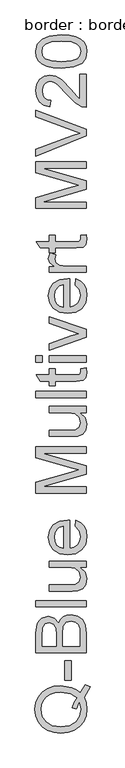
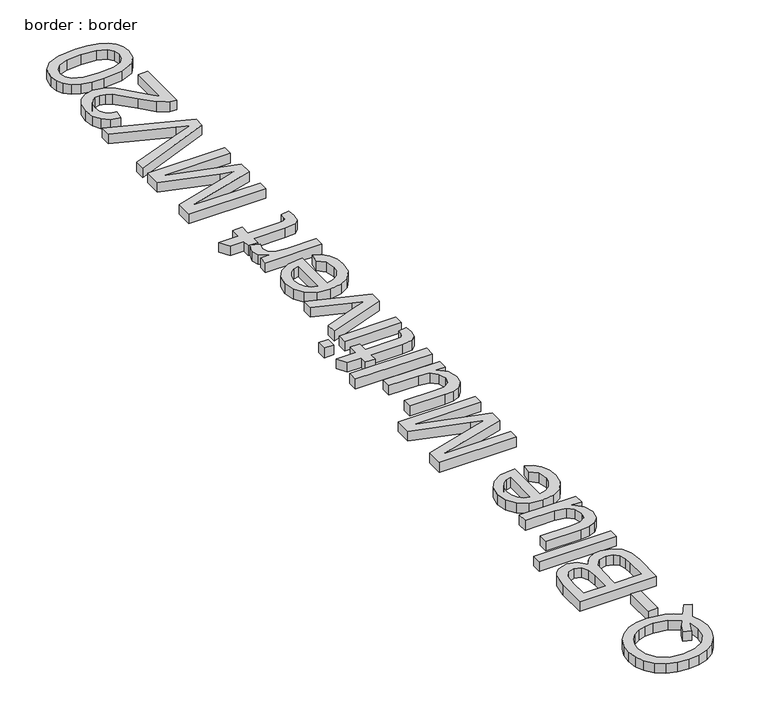
"""IFC4 building model written with IfcOpenShell, lengths in millimetres: proxy geometry, border : border."""

import ifcopenshell
import ifcopenshell.guid

model = None  # the IFC model being written
_history = None  # IfcOwnerHistory: only IFC2X3 demands one
_inside = {}  # id of a spatial element -> (the spatial element, [elements in it])
_under = {}  # id of a project, library or spatial element -> (it, [spatial elements below it])
_declared = {}  # id of a project -> (the project, [libraries it declares])
_typed = {}  # id of a type object -> (the type object, [elements of that type])
_made_of = {}  # id of a material, layer set ... -> (it, [elements and type objects made of it])


def new_model(schema):
    """Start an empty IFC model of exactly this schema.

    Asked for "IFC4X3", IfcOpenShell would pick the latest addendum, in which some entities
    have other attributes; the version numbers below select the first issue.
    IFC2X3 requires an IfcOwnerHistory on every rooted entity: one is made here for all.
    """
    global model, _history
    if schema == "IFC4X3":
        model = ifcopenshell.file(schema_version=(4, 3, 0, 0))
    else:
        model = ifcopenshell.file(schema=schema)
    _inside.clear()
    _under.clear()
    _declared.clear()
    _typed.clear()
    _made_of.clear()
    _history = None
    if model.schema == "IFC2X3":
        org = make("IfcOrganization", Name="unknown")
        user = make(
            "IfcPersonAndOrganization",
            ThePerson=make("IfcPerson", FamilyName="unknown"),
            TheOrganization=org,
        )
        app = make(
            "IfcApplication",
            ApplicationDeveloper=org,
            Version="unknown",
            ApplicationFullName="unknown",
            ApplicationIdentifier="unknown",
        )
        _history = make(
            "IfcOwnerHistory",
            OwningUser=user,
            OwningApplication=app,
            ChangeAction="ADDED",
            CreationDate=0,
        )
    return model


def make(cls, **values):
    """One entity of the class cls with the attributes given. An attribute that is None is left unset."""
    return model.create_entity(
        cls, **{name: value for name, value in values.items() if value is not None}
    )


def rooted(cls, **values):
    """An entity with a GlobalId (a new one), such as an element, a storey or a relation."""
    return make(cls, GlobalId=ifcopenshell.guid.new(), OwnerHistory=_history, **values)


def si_unit(unit_type, name, prefix=None):
    """IfcSIUnit, for example si_unit("LENGTHUNIT", "METRE", prefix="MILLI")."""
    return make("IfcSIUnit", UnitType=unit_type, Prefix=prefix, Name=name)


def assignment(units):
    """IfcUnitAssignment: the units of a project."""
    return None if units is None else make("IfcUnitAssignment", Units=units)


def point(xyz):
    """IfcCartesianPoint."""
    return None if xyz is None else make("IfcCartesianPoint", Coordinates=xyz)


def direction(xyz):
    """IfcDirection."""
    return None if xyz is None else make("IfcDirection", DirectionRatios=xyz)


def frame(location, z_axis=None, x_axis=None):
    """IfcAxis2Placement3D, a coordinate frame: its origin and axes. An axis left out is left unset."""
    return make(
        "IfcAxis2Placement3D",
        Location=point(location),
        Axis=direction(z_axis),
        RefDirection=direction(x_axis),
    )


def origin():
    """The frame at (0, 0, 0) with its axes left unset."""
    return frame((0.0, 0.0, 0.0))


def origin_with_axes():
    """The frame at (0, 0, 0) with the z axis (0, 0, 1) and the x axis (1, 0, 0) written out."""
    return frame((0.0, 0.0, 0.0), z_axis=(0.0, 0.0, 1.0), x_axis=(1.0, 0.0, 0.0))


def place(relative_to, where):
    """IfcLocalPlacement: puts the frame where relative to a parent placement (None: the world)."""
    return make(
        "IfcLocalPlacement", PlacementRelTo=relative_to, RelativePlacement=where
    )


def context(
    kind, dimensions, precision=None, world=None, true_north=None, identifier=None
):
    """IfcGeometricRepresentationContext, for example the 3D "Model" context."""
    return make(
        "IfcGeometricRepresentationContext",
        ContextIdentifier=identifier,
        ContextType=kind,
        CoordinateSpaceDimension=dimensions,
        Precision=precision,
        WorldCoordinateSystem=world,
        TrueNorth=true_north,
    )


def project(units=None, contexts=None):
    """IfcProject with its units and contexts."""
    return rooted(
        "IfcProject",
        Name="project",
        RepresentationContexts=contexts,
        UnitsInContext=assignment(units),
    )


def spatial(cls, under=None, at=None, **own):
    """A site, building, storey or space (cls), placed at a placement, below another one or the project."""
    s = rooted(cls, ObjectPlacement=at, **own)
    if under is not None:
        _under.setdefault(under.id(), (under, []))[1].append(s)
    return s


def polyline(points):
    """IfcPolyline through the points."""
    return make("IfcPolyline", Points=[point(p) for p in points])


def outline(outer, holes=None, kind="AREA"):
    """IfcArbitraryClosedProfileDef: a profile drawn as a closed curve; with holes, ...WithVoids."""
    if holes is None:
        return make("IfcArbitraryClosedProfileDef", ProfileType=kind, OuterCurve=outer)
    return make(
        "IfcArbitraryProfileDefWithVoids",
        ProfileType=kind,
        OuterCurve=outer,
        InnerCurves=holes,
    )


def extrude(swept, where, along, depth):
    """IfcExtrudedAreaSolid: the profile swept, set in the frame where, extruded along a direction by depth."""
    return make(
        "IfcExtrudedAreaSolid",
        SweptArea=swept,
        Position=where,
        ExtrudedDirection=direction(along),
        Depth=depth,
    )


def shape(context_of_items, identifier, shape_type, items):
    """IfcShapeRepresentation: the items that make up one representation, for example the "Body"."""
    return make(
        "IfcShapeRepresentation",
        ContextOfItems=context_of_items,
        RepresentationIdentifier=identifier,
        RepresentationType=shape_type,
        Items=items,
    )


def source(mapping_origin, context_of_items, identifier, shape_type, items):
    """IfcRepresentationMap: a shape defined once, which mapped items show again and again."""
    return make(
        "IfcRepresentationMap",
        MappingOrigin=mapping_origin,
        MappedRepresentation=shape(context_of_items, identifier, shape_type, items),
    )


def transform(
    local_origin,
    x_axis=None,
    y_axis=None,
    z_axis=None,
    scale=None,
    scale2=None,
    scale3=None,
    uniform=True,
):
    """IfcCartesianTransformationOperator3D, or its non-uniform kind. x_axis, y_axis, z_axis: its Axis1, 2, 3."""
    if uniform:
        return make(
            "IfcCartesianTransformationOperator3D",
            Axis1=direction(x_axis),
            Axis2=direction(y_axis),
            LocalOrigin=point(local_origin),
            Scale=scale,
            Axis3=direction(z_axis),
        )
    return make(
        "IfcCartesianTransformationOperator3DnonUniform",
        Axis1=direction(x_axis),
        Axis2=direction(y_axis),
        LocalOrigin=point(local_origin),
        Scale=scale,
        Axis3=direction(z_axis),
        Scale2=scale2,
        Scale3=scale3,
    )


def mapped(mapping_source, mapping_target):
    """IfcMappedItem: shows the shape of a source again, moved by a transform."""
    return make(
        "IfcMappedItem", MappingSource=mapping_source, MappingTarget=mapping_target
    )


def made_of(thing, what):
    """Note that an element or type object is made of a material, layer set ...; save() writes the relation."""
    if what is not None:
        _made_of.setdefault(what.id(), (what, []))[1].append(thing)
    return thing


def element(
    cls,
    number,
    at=None,
    inside=None,
    cuts=None,
    type_object=None,
    material=None,
    context=None,
    identifier="Body",
    shape_type=None,
    held_by="IfcProductDefinitionShape",
    body=None,
    shapes=None,
    **own,
):
    """One element of the class cls, such as IfcWall. Its Tag is "e" and its number.

    at: its placement. inside: the storey or other place that contains it. cuts: it is an
    opening in that element (IfcRelVoidsElement). A single representation is given by context,
    identifier, shape_type and body (its items); several are given by shapes. held_by: the class
    of the entity that holds the representations. save() writes the other relations.
    """
    e = rooted(cls, Tag="e%d" % number, ObjectPlacement=at, **own)
    if body is not None:
        shapes = [shape(context, identifier, shape_type, body)]
    if shapes is not None:
        e.Representation = make(held_by, Representations=shapes)
    if inside is not None:
        _inside.setdefault(inside.id(), (inside, []))[1].append(e)
    if cuts is not None:
        rooted(
            "IfcRelVoidsElement", RelatingBuildingElement=cuts, RelatedOpeningElement=e
        )
    if type_object is not None:
        _typed.setdefault(type_object.id(), (type_object, []))[1].append(e)
    return made_of(e, material)


def aggregate(whole, parts):
    """IfcRelAggregates: a whole, such as a stair, and the parts it consists of."""
    return rooted("IfcRelAggregates", RelatingObject=whole, RelatedObjects=parts)


def save(model, path):
    """Write the relations noted so far, then the file.

    IfcRelAggregates (storeys below a building ...), IfcRelContainedInSpatialStructure (elements
    in a storey), IfcRelDefinesByType, IfcRelAssociatesMaterial and IfcRelDeclares: one each for
    every whole, place, type object, material and project.
    """
    for whole, parts in _under.values():
        aggregate(whole, parts)
    for where, things in _inside.values():
        rooted(
            "IfcRelContainedInSpatialStructure",
            RelatedElements=things,
            RelatingStructure=where,
        )
    for kind, things in _typed.values():
        rooted("IfcRelDefinesByType", RelatedObjects=things, RelatingType=kind)
    for what, things in _made_of.values():
        rooted("IfcRelAssociatesMaterial", RelatedObjects=things, RelatingMaterial=what)
    for by, libraries in _declared.values():
        rooted("IfcRelDeclares", RelatingContext=by, RelatedDefinitions=libraries)
    model.write(path)


def border_border_223222fb(model_context):
    return source(origin(), model_context, "Body", "SweptSolid", [
        extrude(outline(polyline([(-518.063006, 579.5960363), (-502.3544448, 602.956543), (-488.55887, 597.8797714), (-506.1804175, 566.8673192), (-499.7792708, 549.4389097), (-497.6455552, 530.2630607), (-500.1057661, 510.9952412), (-507.4863986, 493.5852258), (-519.3230018, 479.0033032), (-535.1511246, 468.2197622), (-554.1016459, 461.5564996), (-575.3054444, 459.335412), (-596.527637, 461.5519011), (-615.7540698, 468.2013681), (-631.8075203, 478.9435224), (-643.5107663, 493.438073), (-650.6568741, 510.7837091), (-653.03891, 530.0791197), (-650.6016918, 549.5262817), (-643.2900371, 566.9592897), (-631.5913897, 581.4308477), (-615.9931931, 591.9936595), (-597.3231818, 598.4499885), (-576.4090904, 600.6020982), (-543.4836518, 595.3781739), (-529.8260328, 588.8206773), (-518.063006, 579.5960363)]), holes=[polyline([(-543.1157698, 535.4501968), (-537.1284904, 551.2875167), (-528.8051602, 564.0714161), (-548.2293296, 577.342759), (-575.4525972, 581.76654), (-592.0302796, 580.2030416), (-606.3730789, 575.5125461), (-618.1177116, 567.8100168), (-626.9008942, 557.2104169), (-632.3777374, 544.4311161), (-634.2033518, 530.1894843), (-630.5107363, 509.661669), (-619.4328897, 492.9598264), (-601.0249944, 481.8681842), (-575.3422326, 478.1709702), (-550.2112938, 481.8267975), (-531.6930339, 492.7942795), (-520.2840935, 509.4455383), (-516.4811134, 530.1526961), (-520.3438743, 550.422994), (-528.6947956, 530.5941545), (-543.1157698, 535.4501968)])]), origin_with_axes(), (0.0, 0.0, 1.0), 20.0),
        extrude(outline(polyline([(-544.7344506, 617.0832116), (-563.5700088, 617.0832116), (-563.5700088, 675.9443308), (-544.7344506, 675.9443308), (-544.7344506, 617.0832116)])), origin_with_axes(), (0.0, 0.0, 1.0), 20.0),
        extrude(outline(polyline([(-500.0, 699.4887785), (-650.6844652, 699.4887785), (-650.6844652, 756.9887343), (-646.2514872, 785.1501011), (-640.6274912, 794.6138654), (-632.6214593, 801.7783673), (-613.3444427, 807.7932379), (-595.7412892, 802.7348604), (-582.4055669, 787.4493635), (-576.8321547, 798.1225399), (-568.3524747, 806.0090102), (-557.527547, 810.8788481), (-544.9183916, 812.5021274), (-524.6664878, 808.0691494), (-510.2455136, 797.0878718), (-502.5935681, 780.6987289), (-500.0, 756.5472759), (-500.0, 699.4887785)]), holes=[polyline([(-589.4689012, 718.3243366), (-589.4689012, 752.7213032), (-591.087582, 772.8076601), (-598.0589458, 784.8925837), (-610.3278104, 788.9576797), (-622.615069, 785.1684952), (-629.8807384, 774.3159763), (-631.8489071, 750.109341), (-631.8489071, 718.3243366), (-589.4689012, 718.3243366)]), polyline([(-518.8355582, 718.3243366), (-518.8355582, 756.9519461), (-519.5713221, 770.931462), (-523.6732064, 782.7588681), (-532.0425218, 790.5947546), (-544.7344506, 793.6665693), (-559.376154, 790.0613257), (-568.1133514, 778.3810724), (-570.6333431, 755.1125362), (-570.6333431, 718.3243366), (-518.8355582, 718.3243366)])]), origin_with_axes(), (0.0, 0.0, 1.0), 20.0),
        extrude(outline(polyline([(-500.0, 836.0465751), (-650.6844652, 836.0465751), (-650.6844652, 854.8821333), (-500.0, 854.8821333), (-500.0, 836.0465751)])), origin_with_axes(), (0.0, 0.0, 1.0), 20.0),
        extrude(outline(polyline([(-500.0, 953.7688136), (-519.0194992, 953.7688136), (-502.9890412, 939.0167456), (-497.6455552, 919.7765172), (-501.3979516, 902.0629991), (-510.8157307, 889.8493169), (-524.6848819, 884.2391165), (-542.1960648, 883.1354705), (-610.6589041, 883.1354705), (-610.6589041, 901.9710286), (-551.0620209, 901.9710286), (-531.8585808, 903.1114628), (-520.5829976, 910.5610732), (-516.4811134, 924.5957713), (-520.6749681, 940.3227266), (-532.0977041, 950.715393), (-553.0853719, 953.7688136), (-610.6589041, 953.7688136), (-610.6589041, 972.6043717), (-500.0, 972.6043717), (-500.0, 953.7688136)])), origin_with_axes(), (0.0, 0.0, 1.0), 20.0),
        extrude(outline(polyline([(-532.9622268, 1075.9792124), (-530.607782, 1094.4468885), (-516.6926455, 1087.7928229), (-506.2907821, 1077.1748288), (-499.806862, 1062.8320296), (-497.6455552, 1045.0035484), (-501.374959, 1022.9030375), (-512.5631701, 1005.8976923), (-530.4836218, 995.0543705), (-554.4097471, 991.4399299), (-579.1406142, 995.0911587), (-597.6358815, 1006.0448451), (-609.1689821, 1022.8202641), (-613.0133489, 1043.9366906), (-609.1781791, 1064.395528), (-597.6726697, 1080.7432842), (-579.2141906, 1091.4624458), (-554.5201117, 1095.0354997), (-549.4433402, 1094.9251351), (-549.4433402, 1010.275488), (-535.3442627, 1013.5358422), (-524.9791875, 1021.1096128), (-518.6056319, 1032.0403066), (-516.4811134, 1045.3714304), (-520.4174507, 1063.8391065), (-532.9622268, 1075.9792124)]), holes=[polyline([(-568.2788983, 1010.275488), (-568.2788983, 1076.1999416), (-578.2301063, 1073.6523587), (-585.3486229, 1068.6583607), (-591.9704988, 1057.6770831), (-594.1777908, 1043.8631142), (-592.4165557, 1031.1665868), (-587.1328506, 1020.6681544), (-578.8968924, 1013.3702953), (-568.2788983, 1010.275488)])]), origin_with_axes(), (0.0, 0.0, 1.0), 20.0),
        extrude(outline(polyline([(-500.0, 1175.0866219), (-650.6844652, 1175.0866219), (-650.6844652, 1207.4970256), (-544.4769332, 1238.3255368), (-522.2936489, 1244.5427425), (-546.3163432, 1251.2749831), (-650.6844652, 1281.5884595), (-650.6844652, 1313.9988632), (-500.0, 1313.9988632), (-500.0, 1295.1633051), (-631.8489071, 1295.1633051), (-500.0, 1257.3082478), (-500.0, 1231.7772373), (-631.8489071, 1193.92218), (-500.0, 1193.92218), (-500.0, 1175.0866219)])), origin_with_axes(), (0.0, 0.0, 1.0), 20.0),
        extrude(outline(polyline([(-500.0, 1415.2399883), (-519.0194992, 1415.2399883), (-502.9890412, 1400.4879203), (-497.6455552, 1381.247692), (-501.3979516, 1363.5341739), (-510.8157307, 1351.3204916), (-524.6848819, 1345.7102912), (-542.1960648, 1344.6066452), (-610.6589041, 1344.6066452), (-610.6589041, 1363.4422034), (-551.0620209, 1363.4422034), (-531.8585808, 1364.5826376), (-520.5829976, 1372.032248), (-516.4811134, 1386.0669461), (-520.6749681, 1401.7939014), (-532.0977041, 1412.1865678), (-553.0853719, 1415.2399883), (-610.6589041, 1415.2399883), (-610.6589041, 1434.0755465), (-500.0, 1434.0755465), (-500.0, 1415.2399883)])), origin_with_axes(), (0.0, 0.0, 1.0), 20.0),
        extrude(outline(polyline([(-500.0, 1459.9744389), (-650.6844652, 1459.9744389), (-650.6844652, 1478.8099971), (-500.0, 1478.8099971), (-500.0, 1459.9744389)])), origin_with_axes(), (0.0, 0.0, 1.0), 20.0),
        extrude(outline(polyline([(-515.7085612, 1547.0888954), (-499.448177, 1549.4433402), (-497.6455552, 1535.3534597), (-500.7725522, 1519.5713221), (-508.9763207, 1511.6986474), (-530.3502646, 1509.4177791), (-591.823346, 1509.4177791), (-591.823346, 1495.2911105), (-610.6589041, 1495.2911105), (-610.6589041, 1509.4177791), (-637.551078, 1509.4177791), (-648.6243261, 1528.2533372), (-610.6589041, 1528.2533372), (-610.6589041, 1547.0888954), (-591.823346, 1547.0888954), (-591.823346, 1528.2533372), (-530.9020876, 1528.2533372), (-521.1900029, 1529.2466186), (-517.7503063, 1532.4655861), (-516.4811134, 1538.8851269), (-515.7085612, 1547.0888954)])), origin_with_axes(), (0.0, 0.0, 1.0), 20.0),
        extrude(outline(polyline([(-631.8489071, 1565.9244535), (-650.6844652, 1565.9244535), (-650.6844652, 1584.7600117), (-631.8489071, 1584.7600117), (-631.8489071, 1565.9244535)])), origin_with_axes(), (0.0, 0.0, 1.0), 20.0),
        extrude(outline(polyline([(-500.0, 1565.9244535), (-610.6589041, 1565.9244535), (-610.6589041, 1584.7600117), (-500.0, 1584.7600117), (-500.0, 1565.9244535)])), origin_with_axes(), (0.0, 0.0, 1.0), 20.0),
        extrude(outline(polyline([(-500.0, 1640.1630402), (-610.6589041, 1601.2411251), (-610.6589041, 1621.1803292), (-544.3665686, 1644.7615651), (-522.0729197, 1651.8616876), (-543.1157698, 1658.8146573), (-610.6589041, 1682.543046), (-610.6589041, 1702.4822501), (-500.0, 1664.0385816), (-500.0, 1640.1630402)])), origin_with_axes(), (0.0, 0.0, 1.0), 20.0),
        extrude(outline(polyline([(-532.9622268, 1796.4393117), (-530.607782, 1814.9069879), (-516.6926455, 1808.2529223), (-506.2907821, 1797.6349282), (-499.806862, 1783.2921289), (-497.6455552, 1765.4636477), (-501.374959, 1743.3631369), (-512.5631701, 1726.3577916), (-530.4836218, 1715.5144698), (-554.4097471, 1711.9000292), (-579.1406142, 1715.551258), (-597.6358815, 1726.5049444), (-609.1689821, 1743.2803634), (-613.0133489, 1764.3967899), (-609.1781791, 1784.8556274), (-597.6726697, 1801.2033836), (-579.2141906, 1811.9225452), (-554.5201117, 1815.4955991), (-549.4433402, 1815.3852345), (-549.4433402, 1730.7355874), (-535.3442627, 1733.9959416), (-524.9791875, 1741.5697121), (-518.6056319, 1752.5004059), (-516.4811134, 1765.8315297), (-520.4174507, 1784.2992059), (-532.9622268, 1796.4393117)]), holes=[polyline([(-568.2788983, 1730.7355874), (-568.2788983, 1796.6600409), (-578.2301063, 1794.1124581), (-585.3486229, 1789.11846), (-591.9704988, 1778.1371825), (-594.1777908, 1764.3232135), (-592.4165557, 1751.6266862), (-587.1328506, 1741.1282537), (-578.8968924, 1733.8303947), (-568.2788983, 1730.7355874)])]), origin_with_axes(), (0.0, 0.0, 1.0), 20.0),
        extrude(outline(polyline([(-500.0, 1834.3311572), (-610.6589041, 1834.3311572), (-610.6589041, 1850.8122706), (-594.2881554, 1850.8122706), (-609.3713172, 1862.510918), (-613.0133489, 1874.2831419), (-607.2008134, 1893.1922764), (-590.3150298, 1886.9014943), (-594.1777908, 1873.6577425), (-590.4621826, 1863.0075587), (-580.1614867, 1856.2201359), (-558.1621434, 1853.1667154), (-500.0, 1853.1667154), (-500.0, 1834.3311572)])), origin_with_axes(), (0.0, 0.0, 1.0), 20.0),
        extrude(outline(polyline([(-515.7085612, 1944.9900614), (-499.448177, 1947.3445061), (-497.6455552, 1933.2546257), (-500.7725522, 1917.4724881), (-508.9763207, 1909.5998134), (-530.3502646, 1907.3189451), (-591.823346, 1907.3189451), (-591.823346, 1893.1922764), (-610.6589041, 1893.1922764), (-610.6589041, 1907.3189451), (-637.551078, 1907.3189451), (-648.6243261, 1926.1545032), (-610.6589041, 1926.1545032), (-610.6589041, 1944.9900614), (-591.823346, 1944.9900614), (-591.823346, 1926.1545032), (-530.9020876, 1926.1545032), (-521.1900029, 1927.1477846), (-517.7503063, 1930.3667521), (-516.4811134, 1936.7862929), (-515.7085612, 1944.9900614)])), origin_with_axes(), (0.0, 0.0, 1.0), 20.0),
        extrude(outline(polyline([(-500.0, 2025.0411835), (-650.6844652, 2025.0411835), (-650.6844652, 2057.4515873), (-544.4769332, 2088.2800985), (-522.2936489, 2094.4973042), (-546.3163432, 2101.2295447), (-650.6844652, 2131.5430211), (-650.6844652, 2163.9534249), (-500.0, 2163.9534249), (-500.0, 2145.1178667), (-631.8489071, 2145.1178667), (-500.0, 2107.2628094), (-500.0, 2081.731799), (-631.8489071, 2043.8767417), (-500.0, 2043.8767417), (-500.0, 2025.0411835)])), origin_with_axes(), (0.0, 0.0, 1.0), 20.0),
        extrude(outline(polyline([(-500.0, 2241.4293731), (-650.6844652, 2181.4646079), (-650.6844652, 2201.6245412), (-542.1224884, 2241.7604669), (-517.6583358, 2249.890659), (-542.1224884, 2257.9104865), (-650.6844652, 2298.1567767), (-650.6844652, 2318.3167101), (-500.0, 2260.8903306), (-500.0, 2241.4293731)])), origin_with_axes(), (0.0, 0.0, 1.0), 20.0),
        extrude(outline(polyline([(-518.8355582, 2425.2967943), (-500.0, 2425.2967943), (-500.0, 2326.410114), (-512.9862344, 2328.4334649), (-532.9806209, 2339.874595), (-554.8144173, 2363.4558309), (-586.1947515, 2395.9765993), (-597.0104821, 2402.0742433), (-607.5319072, 2404.1067913), (-616.9634818, 2402.1892064), (-624.8039669, 2396.4364517), (-630.087672, 2387.5934883), (-631.8489071, 2376.4052771), (-630.1290587, 2364.6560459), (-624.9695138, 2355.5279739), (-616.7749423, 2349.6372634), (-605.9500146, 2347.6001169), (-608.3044594, 2328.7645587), (-626.5238152, 2333.330894), (-639.8319464, 2343.203927), (-647.9713355, 2357.8686231), (-650.6844652, 2376.8099473), (-647.6678329, 2395.8892273), (-638.6179358, 2410.5263322), (-625.0982725, 2419.8383452), (-608.6723414, 2422.9423495), (-590.8116705, 2419.5946233), (-572.3439944, 2408.466193), (-546.5370724, 2381.4820486), (-528.4188841, 2359.8137991), (-518.8355582, 2351.315725), (-518.8355582, 2425.2967943)])), origin_with_axes(), (0.0, 0.0, 1.0), 20.0),
        extrude(outline(polyline([(-574.128222, 2444.1323524), (-598.2474853, 2445.5165084), (-617.4831152, 2449.6689764), (-632.1294171, 2456.5483698), (-642.4806967, 2466.1133016), (-648.6335231, 2478.4327499), (-650.6844652, 2493.5756926), (-645.8284229, 2515.5750359), (-631.830513, 2530.7685623), (-609.5368641, 2539.5977302), (-574.128222, 2543.0190327), (-550.1469145, 2541.6486723), (-530.9572699, 2537.537591), (-516.2971724, 2530.6995844), (-505.904506, 2521.1484481), (-499.7102929, 2508.8014086), (-497.6455552, 2493.5756926), (-501.2324047, 2474.0043704), (-511.992953, 2459.1419378), (-537.4779783, 2447.8847488), (-574.128222, 2444.1323524)]), holes=[polyline([(-574.1650102, 2462.9679106), (-544.536714, 2465.1752025), (-527.3888145, 2471.7970785), (-519.2080387, 2481.6563159), (-516.4811134, 2493.5756926), (-519.2172357, 2505.4950692), (-527.4256027, 2515.3543067), (-544.5826993, 2521.9761826), (-574.1650102, 2524.1834746), (-603.1265203, 2522.049759), (-620.407777, 2515.6486123), (-628.9886246, 2505.8077689), (-631.8489071, 2493.3549634), (-629.3289154, 2481.5643454), (-621.7689404, 2472.0913841), (-603.4116288, 2465.2487789), (-574.1650102, 2462.9679106)])]), origin_with_axes(), (0.0, 0.0, 1.0), 20.0),
    ])


if __name__ == "__main__":
    model = new_model("IFC4")
    model_context = context("Model", 3, world=origin())
    ifc_project = project(units=[si_unit("LENGTHUNIT", "METRE", prefix="MILLI")], contexts=[model_context])
    site = spatial("IfcSite", under=ifc_project)
    building = spatial("IfcBuilding", under=site)
    placement = place(None, origin())
    border_border_shape = border_border_223222fb(model_context)
    element("IfcBuildingElementProxy", 1, Name="border : border", ObjectType="border : border", at=placement, inside=building, context=model_context, shape_type="MappedRepresentation", body=[
        mapped(border_border_shape, transform((0.0, 0.0, 0.0), x_axis=(1.0, 0.0, 0.0), y_axis=(0.0, 1.0, 0.0), z_axis=(0.0, 0.0, 1.0))),
    ])
    save(model, "model.ifc")
